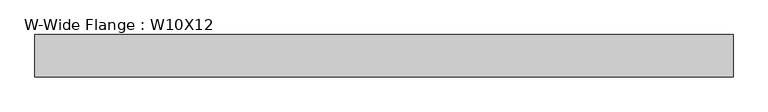
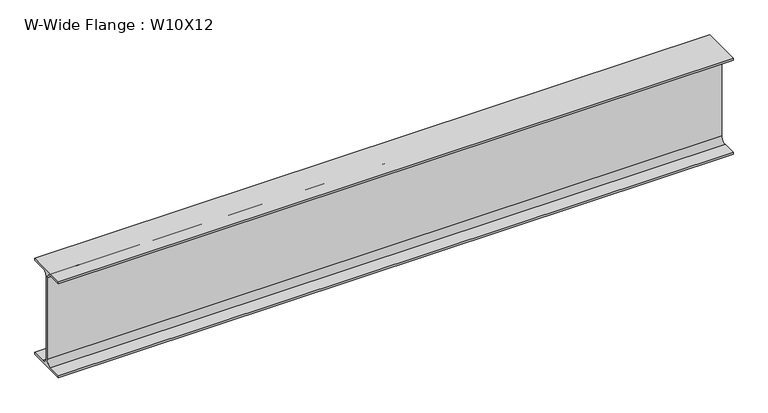
"""IFC4 building model written with IfcOpenShell, lengths in millimetres: beam geometry, W-Wide Flange : W10X12."""

from ifc_helpers import new_model, si_unit, point, frame, frame_2d, origin, place, context, project, spatial, polyline, circle_curve, trimmed, segment, composite_curve, outline, extrude, source, transform, mapped, element, save


def w_wide_flange_w10x12_b018fa77(model_context):
    return source(origin(), model_context, "Body", "SweptSolid", [
        extrude(outline(composite_curve([segment(polyline([(50.3039062, -120.0050781), (50.3039062, -125.3628906), (-50.3039063, -125.3628906), (-50.3039063, -120.0050781), (-16.1230469, -120.0050781)]), True, "CONTINUOUS"), segment(trimmed(circle_curve(frame_2d((-16.1230469, -106.3128906)), 13.6921875), [point((-16.1230469, -120.0050781))], [point((-2.4308594, -106.3128906))], True, "CARTESIAN"), True, "CONTINUOUS"), segment(polyline([(-2.4308594, -106.3128906), (-2.4308594, 106.3128906)]), True, "CONTINUOUS"), segment(trimmed(circle_curve(frame_2d((-16.1230469, 106.3128906)), 13.6921875), [point((-2.4308594, 106.3128906))], [point((-16.1230469, 120.0050781))], True, "CARTESIAN"), True, "CONTINUOUS"), segment(polyline([(-16.1230469, 120.0050781), (-50.3039063, 120.0050781), (-50.3039063, 125.3628906), (50.3039062, 125.3628906), (50.3039062, 120.0050781), (16.1230469, 120.0050781)]), True, "CONTINUOUS"), segment(trimmed(circle_curve(frame_2d((16.1230469, 106.3128906)), 13.6921875), [point((16.1230469, 120.0050781))], [point((2.4308594, 106.3128906))], True, "CARTESIAN"), True, "CONTINUOUS"), segment(polyline([(2.4308594, 106.3128906), (2.4308594, -106.3128906)]), True, "CONTINUOUS"), segment(trimmed(circle_curve(frame_2d((16.1230469, -106.3128906)), 13.6921875), [point((2.4308594, -106.3128906))], [point((16.1230469, -120.0050781))], True, "CARTESIAN"), True, "CONTINUOUS"), segment(polyline([(16.1230469, -120.0050781), (50.3039062, -120.0050781)]), True, "CONTINUOUS")], self_intersect=False)), frame((-842.01, 0.0, 0.0), z_axis=(1.0, 0.0, 0.0), x_axis=(0.0, 1.0, 0.0)), (0.0, 0.0, 1.0), 1664.8211719),
    ])


if __name__ == "__main__":
    model = new_model("IFC4")
    model_context = context("Model", 3, world=origin())
    ifc_project = project(units=[si_unit("LENGTHUNIT", "METRE", prefix="MILLI")], contexts=[model_context])
    site = spatial("IfcSite", under=ifc_project)
    building = spatial("IfcBuilding", under=site)
    placement = place(None, origin())
    w_wide_flange_w10x12_shape = w_wide_flange_w10x12_b018fa77(model_context)
    element("IfcBeam", 1, ObjectType="W-Wide Flange : W10X12", at=placement, inside=building, context=model_context, shape_type="MappedRepresentation", body=[
        mapped(w_wide_flange_w10x12_shape, transform((0.0, 0.0, 0.0), x_axis=(1.0, 0.0, 0.0), y_axis=(0.0, 1.0, 0.0), z_axis=(0.0, 0.0, 1.0))),
    ])
    save(model, "model.ifc")
